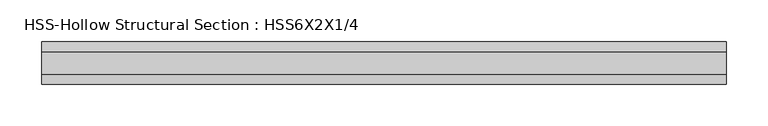
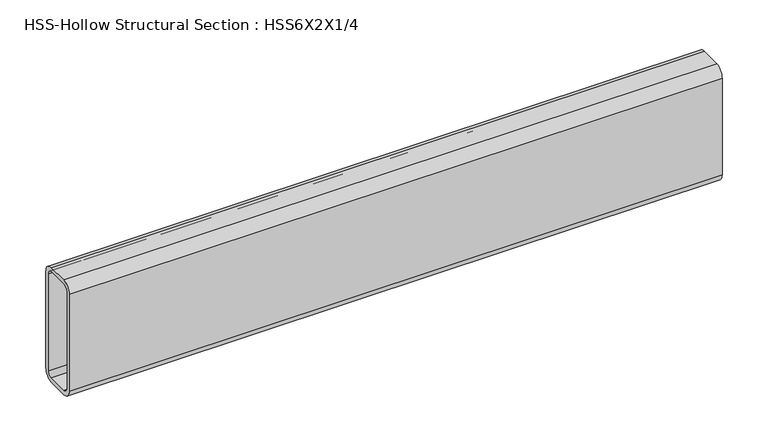
"""IFC4 building model written with IfcOpenShell, lengths in millimetres: beam geometry, HSS-Hollow Structural Section : HSS6X2X1/4."""

from ifc_helpers import new_model, si_unit, point, frame, frame_2d, origin, place, context, project, spatial, polyline, circle_curve, trimmed, segment, composite_curve, outline, extrude, source, transform, mapped, element, save


def hss_hollow_structural_section_hss6x2x1_4_5646890c(model_context):
    return source(origin(), model_context, "Body", "SweptSolid", [
        extrude(outline(composite_curve([segment(polyline([(25.4, 64.3636), (25.4, -64.3636)]), True, "CONTINUOUS"), segment(trimmed(circle_curve(frame_2d((13.5636, -64.3636)), 11.8364), [point((25.4, -64.3636))], [point((13.5636, -76.2))], False, "CARTESIAN"), True, "CONTINUOUS"), segment(polyline([(13.5636, -76.2), (-13.5636, -76.2)]), True, "CONTINUOUS"), segment(trimmed(circle_curve(frame_2d((-13.5636, -64.3636)), 11.8364), [point((-13.5636, -76.2))], [point((-25.4, -64.3636))], False, "CARTESIAN"), True, "CONTINUOUS"), segment(polyline([(-25.4, -64.3636), (-25.4, 64.3636)]), True, "CONTINUOUS"), segment(trimmed(circle_curve(frame_2d((-13.5636, 64.3636)), 11.8364), [point((-25.4, 64.3636))], [point((-13.5636, 76.2))], False, "CARTESIAN"), True, "CONTINUOUS"), segment(polyline([(-13.5636, 76.2), (13.5636, 76.2)]), True, "CONTINUOUS"), segment(trimmed(circle_curve(frame_2d((13.5636, 64.3636)), 11.8364), [point((13.5636, 76.2))], [point((25.4, 64.3636))], False, "CARTESIAN"), True, "CONTINUOUS")], self_intersect=False), holes=[composite_curve([segment(trimmed(circle_curve(frame_2d((-13.5636, 64.3636)), 5.9182), [point((-13.5636, 70.2818))], [point((-19.4818, 64.3636))], True, "CARTESIAN"), True, "CONTINUOUS"), segment(polyline([(-19.4818, 64.3636), (-19.4818, -64.3636)]), True, "CONTINUOUS"), segment(trimmed(circle_curve(frame_2d((-13.5636, -64.3636)), 5.9182), [point((-19.4818, -64.3636))], [point((-13.5636, -70.2818))], True, "CARTESIAN"), True, "CONTINUOUS"), segment(polyline([(-13.5636, -70.2818), (13.5636, -70.2818)]), True, "CONTINUOUS"), segment(trimmed(circle_curve(frame_2d((13.5636, -64.3636)), 5.9182), [point((13.5636, -70.2818))], [point((19.4818, -64.3636))], True, "CARTESIAN"), True, "CONTINUOUS"), segment(polyline([(19.4818, -64.3636), (19.4818, 64.3636)]), True, "CONTINUOUS"), segment(trimmed(circle_curve(frame_2d((13.5636, 64.3636)), 5.9182), [point((19.4818, 64.3636))], [point((13.5636, 70.2818))], True, "CARTESIAN"), True, "CONTINUOUS"), segment(polyline([(13.5636, 70.2818), (-13.5636, 70.2818)]), True, "CONTINUOUS")], self_intersect=False)]), frame((-410.20746, 0.0, 0.0), z_axis=(1.0, 0.0, 0.0), x_axis=(0.0, 1.0, 0.0)), (0.0, 0.0, 1.0), 820.41492),
    ])


if __name__ == "__main__":
    model = new_model("IFC4")
    model_context = context("Model", 3, world=origin())
    ifc_project = project(units=[si_unit("LENGTHUNIT", "METRE", prefix="MILLI")], contexts=[model_context])
    site = spatial("IfcSite", under=ifc_project)
    building = spatial("IfcBuilding", under=site)
    placement = place(None, origin())
    hss_hollow_structural_section_hss6x2x1_4_shape = hss_hollow_structural_section_hss6x2x1_4_5646890c(model_context)
    element("IfcBeam", 1, ObjectType="HSS-Hollow Structural Section : HSS6X2X1/4", at=placement, inside=building, context=model_context, shape_type="MappedRepresentation", body=[
        mapped(hss_hollow_structural_section_hss6x2x1_4_shape, transform((0.0, 0.0, 0.0), x_axis=(1.0, 0.0, 0.0), y_axis=(0.0, 1.0, 0.0), z_axis=(0.0, 0.0, 1.0))),
    ])
    save(model, "model.ifc")
